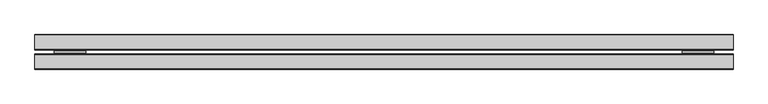
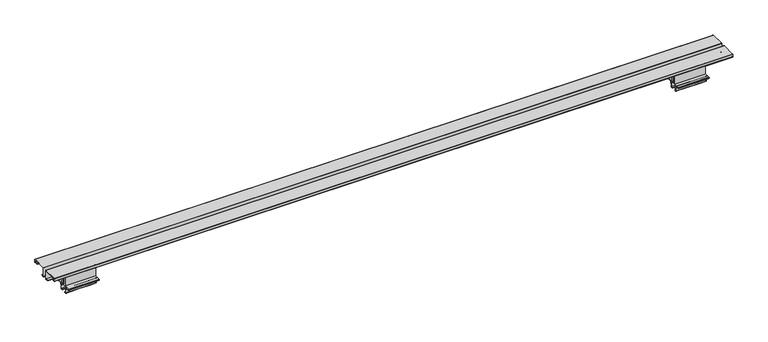
"""IFC4 building model written with IfcOpenShell, lengths in millimetres: furniture geometry."""

from ifc_helpers import new_model, si_unit, point, frame, frame_2d, origin, place, context, project, spatial, polyline, circle_curve, trimmed, segment, composite_curve, outline, extrude, source, transform, mapped, element, save
from ifc_brep_helpers import plane_surface, cylinder_surface, revolved_surface, advanced_brep


def furniture_2ed0af92(model_context):
    return source(origin(), model_context, "Body", "SolidModel", [
        extrude(outline(composite_curve([segment(polyline([(-46.1411741, 703.4021989), (-52.5216442, 703.4021989), (-52.5216442, 704.1895989), (-46.1411741, 704.1895989)]), True, "CONTINUOUS"), segment(trimmed(circle_curve(frame_2d((-46.1411741, 702.5436715)), 1.6459275), [point((-46.1411741, 704.1895989))], [point((-44.4952466, 702.5436715))], False, "CARTESIAN"), True, "CONTINUOUS"), segment(polyline([(-44.4952466, 702.5436715), (-44.4952466, 698.3176187), (-42.3108667, 693.5931667), (-42.3108667, 677.4434001), (-35.9226813, 677.4434001), (-35.9226813, 693.5931667), (-33.7383014, 698.3176187), (-33.7383014, 702.5436715)]), True, "CONTINUOUS"), segment(trimmed(circle_curve(frame_2d((-32.0923739, 702.5436715)), 1.6459275), [point((-33.7383014, 702.5436715))], [point((-32.0923739, 704.1895989))], False, "CARTESIAN"), True, "CONTINUOUS"), segment(polyline([(-32.0923739, 704.1895989), (-25.7119037, 704.1895989), (-25.7119037, 703.4021989), (-32.0923739, 703.4021989)]), True, "CONTINUOUS"), segment(trimmed(circle_curve(frame_2d((-32.0923739, 702.5436715)), 0.8585275), [point((-32.0923739, 703.4021989))], [point((-32.9509014, 702.5436715))], True, "CARTESIAN"), True, "CONTINUOUS"), segment(polyline([(-32.9509014, 702.5436715), (-32.9509014, 676.4273965), (-45.2826466, 676.4273965), (-45.2826466, 702.5436715)]), True, "CONTINUOUS"), segment(trimmed(circle_curve(frame_2d((-46.1411741, 702.5436715)), 0.8585275), [point((-45.2826466, 702.5436715))], [point((-46.1411741, 703.4021989))], True, "CARTESIAN"), True, "CONTINUOUS")], self_intersect=False)), frame((1412.7479964, 0.0, 0.0), z_axis=(1.0, 0.0, 0.0), x_axis=(0.0, 1.0, 0.0)), (0.0, 0.0, 1.0), 68.5800073),
        advanced_brep(
        [(1481.3280036, -43.8856479, 661.339798), (1481.3280036, -43.8856479, 662.127198), (1481.3280036, -47.4162484, 662.127198), (1481.3280036, -47.4162484, 670.1211433), (1481.3280036, -48.2566383, 671.5767378), (1481.3280036, -49.1307467, 672.0814021), (1481.3280036, -49.1307467, 674.0672048), (1481.3280036, -50.5257409, 675.4621989), (1481.3280036, -56.9931108, 675.4621989), (1481.3280036, -57.8998062, 674.6458068), (1481.3280036, -58.5922468, 675.6347145), (1481.3280036, -58.5922468, 676.4273965), (1481.3280036, -19.6540457, 676.4273965), (1481.3280036, -19.6540457, 675.6165135), (1481.3280036, -20.3337418, 674.6458068), (1481.3280036, -21.2404371, 675.4621989), (1481.3280036, -27.8273525, 675.4621989), (1481.3280036, -29.1155469, 674.1740045), (1481.3280036, -29.1155469, 672.0814021), (1481.3280036, -30.0322406, 671.5521513), (1481.3280036, -30.8300452, 670.1703165), (1481.3280036, -30.8300452, 662.127198), (1481.3280036, -34.3606457, 662.127198), (1481.3280036, -34.3606457, 661.339798), (1481.3280036, -30.560857, 661.339798), (1481.3280036, -30.0426452, 661.8580098), (1481.3280036, -30.0426452, 670.1703165), (1481.3280036, -29.6385421, 670.870242), (1481.3280036, -28.7038003, 671.4099128), (1481.3280036, -28.3281469, 672.0605621), (1481.3280036, -28.3281469, 674.1740045), (1481.3280036, -27.8273525, 674.6747989), (1481.3280036, -21.5426917, 674.6747989), (1481.3280036, -20.7678586, 673.9771361), (1481.3280036, -19.8407122, 673.9771361), (1481.3280036, -18.8666457, 675.3682472), (1481.3280036, -18.8666457, 676.7155121), (1481.3280036, -19.36593, 677.2147965), (1481.3280036, -58.8676179, 677.2147965), (1481.3280036, -59.3796468, 676.7027676), (1481.3280036, -59.3796468, 675.3864482), (1481.3280036, -58.3928358, 673.9771361), (1481.3280036, -57.4656894, 673.9771361), (1481.3280036, -56.6908563, 674.6747989), (1481.3280036, -50.5257409, 674.6747989), (1481.3280036, -49.9181467, 674.0672048), (1481.3280036, -49.9181467, 672.0991546), (1481.3280036, -49.5090711, 671.3906166), (1481.3280036, -48.6503368, 670.8948285), (1481.3280036, -48.2036484, 670.1211433), (1481.3280036, -48.2036484, 661.7207976), (1481.3280036, -47.672691, 661.339798), (1412.7479964, -43.8856479, 661.339798), (1412.7479964, -47.672691, 661.339798), (1412.7479964, -48.1909027, 661.8580098), (1412.7479964, -48.2036484, 670.1211433), (1412.7479964, -48.6503368, 670.8948285), (1412.7479964, -49.5090711, 671.3906166), (1412.7479964, -49.9181467, 672.0991546), (1412.7479964, -49.9181467, 674.0672048), (1412.7479964, -50.5257409, 674.6747989), (1412.7479964, -56.6908563, 674.6747989), (1412.7479964, -57.4656894, 673.9771361), (1412.7479964, -58.3928358, 673.9771361), (1412.7479964, -59.3796468, 675.3864482), (1412.7479964, -59.3796468, 676.7027676), (1412.7479964, -58.8676179, 677.2147965), (1412.7479964, -19.36593, 677.2147965), (1412.7479964, -18.8666457, 676.7155121), (1412.7479964, -18.8666457, 675.3682472), (1412.7479964, -19.8407122, 673.9771361), (1412.7479964, -20.7678586, 673.9771361), (1412.7479964, -21.5426917, 674.6747989), (1412.7479964, -27.8273525, 674.6747989), (1412.7479964, -28.3281469, 674.1740045), (1412.7479964, -28.3281469, 672.0605621), (1412.7479964, -28.7038003, 671.4099128), (1412.7479964, -29.6385421, 670.870242), (1412.7479964, -30.0426452, 670.1703165), (1412.7479964, -30.0426452, 661.8580098), (1412.7479964, -30.560857, 661.339798), (1412.7479964, -34.3606457, 661.339798), (1412.7479964, -34.3606457, 662.127198), (1412.7479964, -30.8300452, 662.127198), (1412.7479964, -30.8300452, 670.1703165), (1412.7479964, -30.0322406, 671.5521513), (1412.7479964, -29.1155469, 672.0814021), (1412.7479964, -29.1155469, 674.1740045), (1412.7479964, -27.8273525, 675.4621989), (1412.7479964, -21.2404371, 675.4621989), (1412.7479964, -20.3337418, 674.6458068), (1412.7479964, -19.6540457, 675.6165135), (1412.7479964, -19.6540457, 676.4273965), (1412.7479964, -58.5922468, 676.4273965), (1412.7479964, -58.5922468, 675.6347145), (1412.7479964, -57.8998062, 674.6458068), (1412.7479964, -56.9931108, 675.4621989), (1412.7479964, -50.5257409, 675.4621989), (1412.7479964, -49.1307467, 674.0672048), (1412.7479964, -49.1307467, 672.0814021), (1412.7479964, -48.2566383, 671.5767378), (1412.7479964, -47.4162484, 670.1211433), (1412.7479964, -47.4162484, 662.127198), (1412.7479964, -43.8856479, 662.127198)],
        [
            (0, 1),
            (1, 2),
            (2, 3),
            (3, 4, circle_curve(frame((1481.3280036, -49.097022, 670.1211433), z_axis=(1.0, 0.0, 0.0), x_axis=(0.0, 1.0, 0.0)), 1.6807736)),
            (4, 5),
            (5, 6),
            (6, 7, circle_curve(frame((1481.3280036, -50.5257409, 674.0672048), z_axis=(1.0, 0.0, 0.0), x_axis=(0.0, 1.0, 0.0)), 1.3949941)),
            (7, 8),
            (8, 9),
            (9, 10),
            (10, 11),
            (11, 12),
            (12, 13),
            (13, 14),
            (14, 15),
            (15, 16),
            (16, 17, circle_curve(frame((1481.3280036, -27.8273525, 674.1740045), z_axis=(1.0, 0.0, 0.0), x_axis=(0.0, 1.0, 0.0)), 1.2881944)),
            (17, 18),
            (18, 19),
            (19, 20, circle_curve(frame((1481.3280036, -29.2344419, 670.1703165), z_axis=(1.0, 0.0, 0.0), x_axis=(0.0, 1.0, 0.0)), 1.5956034)),
            (20, 21),
            (21, 22),
            (22, 23),
            (23, 24),
            (24, 25, circle_curve(frame((1481.3280036, -30.560857, 661.8580098), z_axis=(1.0, 0.0, 0.0), x_axis=(0.0, 1.0, 0.0)), 0.5182118)),
            (25, 26),
            (26, 27, circle_curve(frame((1481.3280036, -29.2344419, 670.1703165), z_axis=(-1.0, 0.0, 0.0), x_axis=(0.0, 1.0, 0.0)), 0.8082034)),
            (27, 28),
            (28, 29, circle_curve(frame((1481.3280036, -29.079451, 672.0605621), z_axis=(1.0, 0.0, 0.0), x_axis=(0.0, 1.0, 0.0)), 0.7513042)),
            (29, 30),
            (30, 31, circle_curve(frame((1481.3280036, -27.8273525, 674.1740045), z_axis=(-1.0, 0.0, 0.0), x_axis=(0.0, 1.0, 0.0)), 0.5007944)),
            (31, 32),
            (32, 33),
            (33, 34),
            (34, 35),
            (35, 36),
            (36, 37, circle_curve(frame((1481.3280036, -19.36593, 676.7155121), z_axis=(1.0, 0.0, 0.0), x_axis=(0.0, 1.0, 0.0)), 0.4992844)),
            (37, 38),
            (38, 39, circle_curve(frame((1481.3280036, -58.8676179, 676.7027676), z_axis=(1.0, 0.0, 0.0), x_axis=(0.0, 1.0, 0.0)), 0.5120288)),
            (39, 40),
            (40, 41),
            (41, 42),
            (42, 43),
            (43, 44),
            (44, 45, circle_curve(frame((1481.3280036, -50.5257409, 674.0672048), z_axis=(-1.0, 0.0, 0.0), x_axis=(0.0, 1.0, 0.0)), 0.6075941)),
            (45, 46),
            (46, 47, circle_curve(frame((1481.3280036, -49.0999985, 672.0991546), z_axis=(1.0, 0.0, 0.0), x_axis=(0.0, 1.0, 0.0)), 0.8181482)),
            (47, 48),
            (48, 49, circle_curve(frame((1481.3280036, -49.097022, 670.1211433), z_axis=(-1.0, 0.0, 0.0), x_axis=(0.0, 1.0, 0.0)), 0.8933736)),
            (49, 50),
            (50, 51, circle_curve(frame((1481.3280036, -47.672691, 661.8580098), z_axis=(1.0, 0.0, 0.0), x_axis=(0.0, 1.0, 0.0)), 0.5182118)),
            (51, 0),
            (52, 53),
            (53, 54, circle_curve(frame((1412.7479964, -47.672691, 661.8580098), z_axis=(-1.0, 0.0, 0.0), x_axis=(0.0, 1.0, 0.0)), 0.5182118)),
            (54, 55),
            (55, 56, circle_curve(frame((1412.7479964, -49.097022, 670.1211433), z_axis=(1.0, 0.0, 0.0), x_axis=(0.0, 1.0, 0.0)), 0.8933736)),
            (56, 57),
            (57, 58, circle_curve(frame((1412.7479964, -49.0999985, 672.0991546), z_axis=(-1.0, 0.0, 0.0), x_axis=(0.0, 1.0, 0.0)), 0.8181482)),
            (58, 59),
            (59, 60, circle_curve(frame((1412.7479964, -50.5257409, 674.0672048), z_axis=(1.0, 0.0, 0.0), x_axis=(0.0, 1.0, 0.0)), 0.6075941)),
            (60, 61),
            (61, 62),
            (62, 63),
            (63, 64),
            (64, 65),
            (65, 66, circle_curve(frame((1412.7479964, -58.8676179, 676.7027676), z_axis=(-1.0, 0.0, 0.0), x_axis=(0.0, 1.0, 0.0)), 0.5120288)),
            (66, 67),
            (67, 68, circle_curve(frame((1412.7479964, -19.36593, 676.7155121), z_axis=(-1.0, 0.0, 0.0), x_axis=(0.0, 1.0, 0.0)), 0.4992844)),
            (68, 69),
            (69, 70),
            (70, 71),
            (71, 72),
            (72, 73),
            (73, 74, circle_curve(frame((1412.7479964, -27.8273525, 674.1740045), z_axis=(1.0, 0.0, 0.0), x_axis=(0.0, 1.0, 0.0)), 0.5007944)),
            (74, 75),
            (75, 76, circle_curve(frame((1412.7479964, -29.079451, 672.0605621), z_axis=(-1.0, 0.0, 0.0), x_axis=(0.0, 1.0, 0.0)), 0.7513042)),
            (76, 77),
            (77, 78, circle_curve(frame((1412.7479964, -29.2344419, 670.1703165), z_axis=(1.0, 0.0, 0.0), x_axis=(0.0, 1.0, 0.0)), 0.8082034)),
            (78, 79),
            (79, 80, circle_curve(frame((1412.7479964, -30.560857, 661.8580098), z_axis=(-1.0, 0.0, 0.0), x_axis=(0.0, 1.0, 0.0)), 0.5182118)),
            (80, 81),
            (81, 82),
            (82, 83),
            (83, 84),
            (84, 85, circle_curve(frame((1412.7479964, -29.2344419, 670.1703165), z_axis=(-1.0, 0.0, 0.0), x_axis=(0.0, 1.0, 0.0)), 1.5956034)),
            (85, 86),
            (86, 87),
            (87, 88, circle_curve(frame((1412.7479964, -27.8273525, 674.1740045), z_axis=(-1.0, 0.0, 0.0), x_axis=(0.0, 1.0, 0.0)), 1.2881944)),
            (88, 89),
            (89, 90),
            (90, 91),
            (91, 92),
            (92, 93),
            (93, 94),
            (94, 95),
            (95, 96),
            (96, 97),
            (97, 98, circle_curve(frame((1412.7479964, -50.5257409, 674.0672048), z_axis=(-1.0, 0.0, 0.0), x_axis=(0.0, 1.0, 0.0)), 1.3949941)),
            (98, 99),
            (99, 100),
            (100, 101, circle_curve(frame((1412.7479964, -49.097022, 670.1211433), z_axis=(-1.0, 0.0, 0.0), x_axis=(0.0, 1.0, 0.0)), 1.6807736)),
            (101, 102),
            (102, 103),
            (103, 52),
            (51, 53),
            (52, 0),
            (50, 54),
            (49, 55),
            (48, 56),
            (47, 57),
            (46, 58),
            (45, 59),
            (44, 60),
            (43, 61),
            (42, 62),
            (41, 63),
            (40, 64),
            (39, 65),
            (38, 66),
            (37, 67),
            (36, 68),
            (35, 69),
            (34, 70),
            (33, 71),
            (32, 72),
            (31, 73),
            (30, 74),
            (29, 75),
            (28, 76),
            (27, 77),
            (26, 78),
            (25, 79),
            (24, 80),
            (23, 81),
            (22, 82),
            (21, 83),
            (20, 84),
            (19, 85),
            (18, 86),
            (17, 87),
            (16, 88),
            (15, 89),
            (14, 90),
            (13, 91),
            (12, 92),
            (11, 93),
            (10, 94),
            (9, 95),
            (8, 96),
            (7, 97),
            (6, 98),
            (5, 99),
            (4, 100),
            (3, 101),
            (2, 102),
            (1, 103),
        ],
        [
            plane_surface(frame((1481.3280036, -39.1358447, 638.91159), z_axis=(1.0, 0.0, 0.0), x_axis=(0.0, 0.0, 1.0))),
            plane_surface(frame((1412.7479964, -39.1358447, 638.91159), z_axis=(-1.0, 0.0, 0.0), x_axis=(0.0, 0.0, 1.0))),
            plane_surface(frame((1481.3280036, -43.8856479, 661.339798), z_axis=(0.0, 0.0, -1.0), x_axis=(-1.0, 0.0, 0.0))),
            cylinder_surface(frame((1481.3280036, -47.672691, 661.8580098), z_axis=(1.0, 0.0, 0.0), x_axis=(0.0, 1.0, 0.0)), 0.5182118),
            plane_surface(frame((1481.3280036, -48.2036484, 661.7207976), z_axis=(0.0, -1.0, 0.0), x_axis=(-1.0, 0.0, 0.0))),
            revolved_surface(polyline([(1412.7479964, -48.203648400000006, 670.1211433), (1481.3280036, -48.203648400000006, 670.1211433)]), (1481.3280036, -49.097022, 670.1211433), (-1.0, 0.0, 0.0)),
            plane_surface(frame((1481.3280036, -48.6503368, 670.8948285), z_axis=(0.0, -0.49999817066287033, -0.8660264599501468), x_axis=(-1.0, 0.0, 0.0))),
            cylinder_surface(frame((1481.3280036, -49.0999985, 672.0991546), z_axis=(1.0, 0.0, 0.0), x_axis=(0.0, 1.0, 0.0)), 0.8181482),
            plane_surface(frame((1481.3280036, -49.9181467, 672.0991546), z_axis=(0.0, -1.0, 0.0), x_axis=(-1.0, 0.0, 0.0))),
            revolved_surface(polyline([(1412.7479964, -49.9181468, 674.0672048), (1481.3280036, -49.9181468, 674.0672048)]), (1481.3280036, -50.5257409, 674.0672048), (-1.0, 0.0, 0.0)),
            plane_surface(frame((1481.3280036, -50.5257409, 674.6747989), z_axis=(0.0, 0.0, -1.0), x_axis=(-1.0, 0.0, 0.0))),
            plane_surface(frame((1481.3280036, -56.6908563, 674.6747989), z_axis=(0.0, 0.6691306063588597, -0.743144825477393), x_axis=(-1.0, 0.0, 0.0))),
            plane_surface(frame((1481.3280036, -57.4656894, 673.9771361), z_axis=(0.0, 0.0, -1.0), x_axis=(-1.0, 0.0, 0.0))),
            plane_surface(frame((1481.3280036, -58.3928358, 673.9771361), z_axis=(0.0, -0.8191520442889919, -0.5735764363510462), x_axis=(-1.0, 0.0, 0.0))),
            plane_surface(frame((1481.3280036, -59.3796468, 675.3864482), z_axis=(0.0, -1.0, 0.0), x_axis=(-1.0, 0.0, 0.0))),
            cylinder_surface(frame((1481.3280036, -58.8676179, 676.7027676), z_axis=(1.0, 0.0, 0.0), x_axis=(0.0, 1.0, 0.0)), 0.5120288),
            plane_surface(frame((1481.3280036, -58.8676179, 677.2147965), z_axis=(0.0, 0.0, 1.0), x_axis=(-1.0, 0.0, 0.0))),
            cylinder_surface(frame((1481.3280036, -19.36593, 676.7155121), z_axis=(1.0, 0.0, 0.0), x_axis=(0.0, 1.0, 0.0)), 0.4992844),
            plane_surface(frame((1481.3280036, -18.8666457, 676.7155121), z_axis=(0.0, 1.0, 0.0), x_axis=(-1.0, 0.0, 0.0))),
            plane_surface(frame((1481.3280036, -18.8666457, 675.3682472), z_axis=(0.0, 0.8191520442889919, -0.5735764363510462), x_axis=(-1.0, 0.0, 0.0))),
            plane_surface(frame((1481.3280036, -19.8407122, 673.9771361), z_axis=(0.0, 0.0, -1.0), x_axis=(-1.0, 0.0, 0.0))),
            plane_surface(frame((1481.3280036, -20.7678586, 673.9771361), z_axis=(0.0, -0.6691306063588597, -0.743144825477393), x_axis=(-1.0, 0.0, 0.0))),
            plane_surface(frame((1481.3280036, -21.5426917, 674.6747989), z_axis=(0.0, 0.0, -1.0), x_axis=(-1.0, 0.0, 0.0))),
            revolved_surface(polyline([(1412.7479964, -27.3265581, 674.1740045), (1481.3280036, -27.3265581, 674.1740045)]), (1481.3280036, -27.8273525, 674.1740045), (-1.0, 0.0, 0.0)),
            plane_surface(frame((1481.3280036, -28.3281469, 674.1740045), z_axis=(0.0, 1.0, 0.0), x_axis=(-1.0, 0.0, 0.0))),
            cylinder_surface(frame((1481.3280036, -29.079451, 672.0605621), z_axis=(1.0, 0.0, 0.0), x_axis=(0.0, 1.0, 0.0)), 0.7513042),
            plane_surface(frame((1481.3280036, -28.7038003, 671.4099128), z_axis=(0.0, 0.49999817066287033, -0.8660264599501468), x_axis=(-1.0, 0.0, 0.0))),
            revolved_surface(polyline([(1412.7479964, -28.4262385, 670.1703165), (1481.3280036, -28.4262385, 670.1703165)]), (1481.3280036, -29.2344419, 670.1703165), (-1.0, 0.0, 0.0)),
            plane_surface(frame((1481.3280036, -30.0426452, 670.1703165), z_axis=(0.0, 1.0, 0.0), x_axis=(-1.0, 0.0, 0.0))),
            cylinder_surface(frame((1481.3280036, -30.560857, 661.8580098), z_axis=(1.0, 0.0, 0.0), x_axis=(0.0, 1.0, 0.0)), 0.5182118),
            plane_surface(frame((1481.3280036, -30.560857, 661.339798), z_axis=(0.0, 0.0, -1.0), x_axis=(-1.0, 0.0, 0.0))),
            plane_surface(frame((1481.3280036, -34.3606457, 661.339798), z_axis=(0.0, -1.0, 0.0), x_axis=(-1.0, 0.0, 0.0))),
            plane_surface(frame((1481.3280036, -34.3606457, 662.127198), z_axis=(0.0, 0.0, 1.0), x_axis=(-1.0, 0.0, 0.0))),
            plane_surface(frame((1481.3280036, -30.8300452, 662.127198), z_axis=(0.0, -1.0, 0.0), x_axis=(-1.0, 0.0, 0.0))),
            cylinder_surface(frame((1481.3280036, -29.2344419, 670.1703165), z_axis=(1.0, 0.0, 0.0), x_axis=(0.0, 1.0, 0.0)), 1.5956034),
            plane_surface(frame((1481.3280036, -30.0322406, 671.5521513), z_axis=(0.0, -0.4999981706628693, 0.8660264599501475), x_axis=(-1.0, 0.0, 0.0))),
            plane_surface(frame((1481.3280036, -29.1155469, 672.0814021), z_axis=(0.0, -1.0, 0.0), x_axis=(-1.0, 0.0, 0.0))),
            cylinder_surface(frame((1481.3280036, -27.8273525, 674.1740045), z_axis=(1.0, 0.0, 0.0), x_axis=(0.0, 1.0, 0.0)), 1.2881944),
            plane_surface(frame((1481.3280036, -27.8273525, 675.4621989), z_axis=(0.0, 0.0, 1.0), x_axis=(-1.0, 0.0, 0.0))),
            plane_surface(frame((1481.3280036, -21.2404371, 675.4621989), z_axis=(0.0, 0.6691306063588597, 0.743144825477393), x_axis=(-1.0, 0.0, 0.0))),
            plane_surface(frame((1481.3280036, -20.3337418, 674.6458068), z_axis=(0.0, -0.819152044288992, 0.5735764363510457), x_axis=(-1.0, 0.0, 0.0))),
            plane_surface(frame((1481.3280036, -19.6540457, 675.6165135), z_axis=(0.0, -1.0, 0.0), x_axis=(-1.0, 0.0, 0.0))),
            plane_surface(frame((1481.3280036, -19.6540457, 676.4273965), z_axis=(0.0, 0.0, -1.0), x_axis=(-1.0, 0.0, 0.0))),
            plane_surface(frame((1481.3280036, -58.5922468, 676.4273965), z_axis=(0.0, 1.0, 0.0), x_axis=(-1.0, 0.0, 0.0))),
            plane_surface(frame((1481.3280036, -58.5922468, 675.6347145), z_axis=(0.0, 0.8191520442889909, 0.5735764363510474), x_axis=(-1.0, 0.0, 0.0))),
            plane_surface(frame((1481.3280036, -57.8998062, 674.6458068), z_axis=(0.0, -0.6691306063588597, 0.743144825477393), x_axis=(-1.0, 0.0, 0.0))),
            plane_surface(frame((1481.3280036, -56.9931108, 675.4621989), z_axis=(0.0, 0.0, 1.0), x_axis=(-1.0, 0.0, 0.0))),
            cylinder_surface(frame((1481.3280036, -50.5257409, 674.0672048), z_axis=(1.0, 0.0, 0.0), x_axis=(0.0, 1.0, 0.0)), 1.3949941),
            plane_surface(frame((1481.3280036, -49.1307467, 674.0672048), z_axis=(0.0, 1.0, 0.0), x_axis=(-1.0, 0.0, 0.0))),
            plane_surface(frame((1481.3280036, -49.1307467, 672.0814021), z_axis=(0.0, 0.49999817066287294, 0.8660264599501454), x_axis=(-1.0, 0.0, 0.0))),
            cylinder_surface(frame((1481.3280036, -49.097022, 670.1211433), z_axis=(1.0, 0.0, 0.0), x_axis=(0.0, 1.0, 0.0)), 1.6807736),
            plane_surface(frame((1481.3280036, -47.4162484, 670.1211433), z_axis=(0.0, 1.0, 0.0), x_axis=(-1.0, 0.0, 0.0))),
            plane_surface(frame((1481.3280036, -47.4162484, 662.127198), z_axis=(0.0, 0.0, 1.0), x_axis=(-1.0, 0.0, 0.0))),
            plane_surface(frame((1481.3280036, -43.8856479, 662.127198), z_axis=(0.0, 1.0, 0.0), x_axis=(-1.0, 0.0, 0.0))),
        ],
        [
            (0, [[1, 2, 3, 4, 5, 6, 7, 8, 9, 10, 11, 12, 13, 14, 15, 16, 17, 18, 19, 20, 21, 22, 23, 24, 25, 26, 27, 28, 29, 30, 31, 32, 33, 34, 35, 36, 37, 38, 39, 40, 41, 42, 43, 44, 45, 46, 47, 48, 49, 50, 51, 52]]),
            (1, [[53, 54, 55, 56, 57, 58, 59, 60, 61, 62, 63, 64, 65, 66, 67, 68, 69, 70, 71, 72, 73, 74, 75, 76, 77, 78, 79, 80, 81, 82, 83, 84, 85, 86, 87, 88, 89, 90, 91, 92, 93, 94, 95, 96, 97, 98, 99, 100, 101, 102, 103, 104]]),
            (2, [[105, -53, 106, -52]]),
            (3, [[107, -54, -105, -51]]),
            (4, [[108, -55, -107, -50]]),
            (5, [[109, -56, -108, -49]]),
            (6, [[110, -57, -109, -48]]),
            (7, [[111, -58, -110, -47]]),
            (8, [[112, -59, -111, -46]]),
            (9, [[113, -60, -112, -45]]),
            (10, [[114, -61, -113, -44]]),
            (11, [[115, -62, -114, -43]]),
            (12, [[116, -63, -115, -42]]),
            (13, [[117, -64, -116, -41]]),
            (14, [[118, -65, -117, -40]]),
            (15, [[119, -66, -118, -39]]),
            (16, [[120, -67, -119, -38]]),
            (17, [[121, -68, -120, -37]]),
            (18, [[122, -69, -121, -36]]),
            (19, [[123, -70, -122, -35]]),
            (20, [[124, -71, -123, -34]]),
            (21, [[125, -72, -124, -33]]),
            (22, [[126, -73, -125, -32]]),
            (23, [[127, -74, -126, -31]]),
            (24, [[128, -75, -127, -30]]),
            (25, [[129, -76, -128, -29]]),
            (26, [[130, -77, -129, -28]]),
            (27, [[131, -78, -130, -27]]),
            (28, [[132, -79, -131, -26]]),
            (29, [[133, -80, -132, -25]]),
            (30, [[134, -81, -133, -24]]),
            (31, [[135, -82, -134, -23]]),
            (32, [[136, -83, -135, -22]]),
            (33, [[137, -84, -136, -21]]),
            (34, [[138, -85, -137, -20]]),
            (35, [[139, -86, -138, -19]]),
            (36, [[140, -87, -139, -18]]),
            (37, [[141, -88, -140, -17]]),
            (38, [[142, -89, -141, -16]]),
            (39, [[143, -90, -142, -15]]),
            (40, [[144, -91, -143, -14]]),
            (41, [[145, -92, -144, -13]]),
            (42, [[146, -93, -145, -12]]),
            (43, [[147, -94, -146, -11]]),
            (44, [[148, -95, -147, -10]]),
            (45, [[149, -96, -148, -9]]),
            (46, [[150, -97, -149, -8]]),
            (47, [[151, -98, -150, -7]]),
            (48, [[152, -99, -151, -6]]),
            (49, [[153, -100, -152, -5]]),
            (50, [[154, -101, -153, -4]]),
            (51, [[155, -102, -154, -3]]),
            (52, [[156, -103, -155, -2]]),
            (53, [[-106, -104, -156, -1]]),
        ],
    ),
        extrude(outline(composite_curve([segment(polyline([(-46.1411741, 703.4021989), (-52.5216442, 703.4021989), (-52.5216442, 704.1895989), (-46.1411741, 704.1895989)]), True, "CONTINUOUS"), segment(trimmed(circle_curve(frame_2d((-46.1411741, 702.5436715)), 1.6459275), [point((-46.1411741, 704.1895989))], [point((-44.4952466, 702.5436715))], False, "CARTESIAN"), True, "CONTINUOUS"), segment(polyline([(-44.4952466, 702.5436715), (-44.4952466, 698.3176187), (-42.3108667, 693.5931667), (-42.3108667, 677.4434001), (-35.9226813, 677.4434001), (-35.9226813, 693.5931667), (-33.7383014, 698.3176187), (-33.7383014, 702.5436715)]), True, "CONTINUOUS"), segment(trimmed(circle_curve(frame_2d((-32.0923739, 702.5436715)), 1.6459275), [point((-33.7383014, 702.5436715))], [point((-32.0923739, 704.1895989))], False, "CARTESIAN"), True, "CONTINUOUS"), segment(polyline([(-32.0923739, 704.1895989), (-25.7119037, 704.1895989), (-25.7119037, 703.4021989), (-32.0923739, 703.4021989)]), True, "CONTINUOUS"), segment(trimmed(circle_curve(frame_2d((-32.0923739, 702.5436715)), 0.8585275), [point((-32.0923739, 703.4021989))], [point((-32.9509014, 702.5436715))], True, "CARTESIAN"), True, "CONTINUOUS"), segment(polyline([(-32.9509014, 702.5436715), (-32.9509014, 676.4273965), (-45.2826466, 676.4273965), (-45.2826466, 702.5436715)]), True, "CONTINUOUS"), segment(trimmed(circle_curve(frame_2d((-46.1411741, 702.5436715)), 0.8585275), [point((-45.2826466, 702.5436715))], [point((-46.1411741, 703.4021989))], True, "CARTESIAN"), True, "CONTINUOUS")], self_intersect=False)), frame((42.6719964, 0.0, 0.0), z_axis=(1.0, 0.0, 0.0), x_axis=(0.0, 1.0, 0.0)), (0.0, 0.0, 1.0), 68.5800073),
        advanced_brep(
        [(42.6719964, -43.8856479, 661.339798), (42.6719964, -47.672691, 661.339798), (42.6719964, -48.1909027, 661.8580098), (42.6719964, -48.2036484, 670.1211433), (42.6719964, -48.6503368, 670.8948285), (42.6719964, -49.5090711, 671.3906166), (42.6719964, -49.9181467, 672.0991546), (42.6719964, -49.9181467, 674.0672048), (42.6719964, -50.5257409, 674.6747989), (42.6719964, -56.6908563, 674.6747989), (42.6719964, -57.4656894, 673.9771361), (42.6719964, -58.3928358, 673.9771361), (42.6719964, -59.3796468, 675.3864482), (42.6719964, -59.3796468, 676.7027676), (42.6719964, -58.8676179, 677.2147965), (42.6719964, -19.36593, 677.2147965), (42.6719964, -18.8666457, 676.7155121), (42.6719964, -18.8666457, 675.3682472), (42.6719964, -19.8407122, 673.9771361), (42.6719964, -20.7678586, 673.9771361), (42.6719964, -21.5426917, 674.6747989), (42.6719964, -27.8273525, 674.6747989), (42.6719964, -28.3281469, 674.1740045), (42.6719964, -28.3281469, 672.0605621), (42.6719964, -28.7038003, 671.4099128), (42.6719964, -29.6385421, 670.870242), (42.6719964, -30.0426452, 670.1703165), (42.6719964, -30.0426452, 661.8580098), (42.6719964, -30.560857, 661.339798), (42.6719964, -34.3606457, 661.339798), (42.6719964, -34.3606457, 662.127198), (42.6719964, -30.8300452, 662.127198), (42.6719964, -30.8300452, 670.1703165), (42.6719964, -30.0322406, 671.5521513), (42.6719964, -29.1155469, 672.0814021), (42.6719964, -29.1155469, 674.1740045), (42.6719964, -27.8273525, 675.4621989), (42.6719964, -21.2404371, 675.4621989), (42.6719964, -20.3337418, 674.6458068), (42.6719964, -19.6540457, 675.6165135), (42.6719964, -19.6540457, 676.4273965), (42.6719964, -58.5922468, 676.4273965), (42.6719964, -58.5922468, 675.6347145), (42.6719964, -57.8998062, 674.6458068), (42.6719964, -56.9931108, 675.4621989), (42.6719964, -50.5257409, 675.4621989), (42.6719964, -49.1307467, 674.0672048), (42.6719964, -49.1307467, 672.0814021), (42.6719964, -48.2566383, 671.5767378), (42.6719964, -47.4162484, 670.1211433), (42.6719964, -47.4162484, 662.127198), (42.6719964, -43.8856479, 662.127198), (111.2520036, -43.8856479, 661.339798), (111.2520036, -43.8856479, 662.127198), (111.2520036, -47.4162484, 662.127198), (111.2520036, -47.4162484, 670.1211433), (111.2520036, -48.2566383, 671.5767378), (111.2520036, -49.1307467, 672.0814021), (111.2520036, -49.1307467, 674.0672048), (111.2520036, -50.5257409, 675.4621989), (111.2520036, -56.9931108, 675.4621989), (111.2520036, -57.8998062, 674.6458068), (111.2520036, -58.5922468, 675.6347145), (111.2520036, -58.5922468, 676.4273965), (111.2520036, -19.6540457, 676.4273965), (111.2520036, -19.6540457, 675.6165135), (111.2520036, -20.3337418, 674.6458068), (111.2520036, -21.2404371, 675.4621989), (111.2520036, -27.8273525, 675.4621989), (111.2520036, -29.1155469, 674.1740045), (111.2520036, -29.1155469, 672.0814021), (111.2520036, -30.0322406, 671.5521513), (111.2520036, -30.8300452, 670.1703165), (111.2520036, -30.8300452, 662.127198), (111.2520036, -34.3606457, 662.127198), (111.2520036, -34.3606457, 661.339798), (111.2520036, -30.560857, 661.339798), (111.2520036, -30.0426452, 661.8580098), (111.2520036, -30.0426452, 670.1703165), (111.2520036, -29.6385421, 670.870242), (111.2520036, -28.7038003, 671.4099128), (111.2520036, -28.3281469, 672.0605621), (111.2520036, -28.3281469, 674.1740045), (111.2520036, -27.8273525, 674.6747989), (111.2520036, -21.5426917, 674.6747989), (111.2520036, -20.7678586, 673.9771361), (111.2520036, -19.8407122, 673.9771361), (111.2520036, -18.8666457, 675.3682472), (111.2520036, -18.8666457, 676.7155121), (111.2520036, -19.36593, 677.2147965), (111.2520036, -58.8676179, 677.2147965), (111.2520036, -59.3796468, 676.7027676), (111.2520036, -59.3796468, 675.3864482), (111.2520036, -58.3928358, 673.9771361), (111.2520036, -57.4656894, 673.9771361), (111.2520036, -56.6908563, 674.6747989), (111.2520036, -50.5257409, 674.6747989), (111.2520036, -49.9181467, 674.0672048), (111.2520036, -49.9181467, 672.0991546), (111.2520036, -49.5090711, 671.3906166), (111.2520036, -48.6503368, 670.8948285), (111.2520036, -48.2036484, 670.1211433), (111.2520036, -48.2036484, 661.7207976), (111.2520036, -47.672691, 661.339798)],
        [
            (0, 1),
            (1, 2, circle_curve(frame((42.6719964, -47.672691, 661.8580098), z_axis=(-1.0, 0.0, 0.0), x_axis=(0.0, 1.0, 0.0)), 0.5182118)),
            (2, 3),
            (3, 4, circle_curve(frame((42.6719964, -49.097022, 670.1211433), z_axis=(1.0, 0.0, 0.0), x_axis=(0.0, 1.0, 0.0)), 0.8933736)),
            (4, 5),
            (5, 6, circle_curve(frame((42.6719964, -49.0999985, 672.0991546), z_axis=(-1.0, 0.0, 0.0), x_axis=(0.0, 1.0, 0.0)), 0.8181482)),
            (6, 7),
            (7, 8, circle_curve(frame((42.6719964, -50.5257409, 674.0672048), z_axis=(1.0, 0.0, 0.0), x_axis=(0.0, 1.0, 0.0)), 0.6075941)),
            (8, 9),
            (9, 10),
            (10, 11),
            (11, 12),
            (12, 13),
            (13, 14, circle_curve(frame((42.6719964, -58.8676179, 676.7027676), z_axis=(-1.0, 0.0, 0.0), x_axis=(0.0, 1.0, 0.0)), 0.5120288)),
            (14, 15),
            (15, 16, circle_curve(frame((42.6719964, -19.36593, 676.7155121), z_axis=(-1.0, 0.0, 0.0), x_axis=(0.0, 1.0, 0.0)), 0.4992844)),
            (16, 17),
            (17, 18),
            (18, 19),
            (19, 20),
            (20, 21),
            (21, 22, circle_curve(frame((42.6719964, -27.8273525, 674.1740045), z_axis=(1.0, 0.0, 0.0), x_axis=(0.0, 1.0, 0.0)), 0.5007944)),
            (22, 23),
            (23, 24, circle_curve(frame((42.6719964, -29.079451, 672.0605621), z_axis=(-1.0, 0.0, 0.0), x_axis=(0.0, 1.0, 0.0)), 0.7513042)),
            (24, 25),
            (25, 26, circle_curve(frame((42.6719964, -29.2344419, 670.1703165), z_axis=(1.0, 0.0, 0.0), x_axis=(0.0, 1.0, 0.0)), 0.8082034)),
            (26, 27),
            (27, 28, circle_curve(frame((42.6719964, -30.560857, 661.8580098), z_axis=(-1.0, 0.0, 0.0), x_axis=(0.0, 1.0, 0.0)), 0.5182118)),
            (28, 29),
            (29, 30),
            (30, 31),
            (31, 32),
            (32, 33, circle_curve(frame((42.6719964, -29.2344419, 670.1703165), z_axis=(-1.0, 0.0, 0.0), x_axis=(0.0, 1.0, 0.0)), 1.5956034)),
            (33, 34),
            (34, 35),
            (35, 36, circle_curve(frame((42.6719964, -27.8273525, 674.1740045), z_axis=(-1.0, 0.0, 0.0), x_axis=(0.0, 1.0, 0.0)), 1.2881944)),
            (36, 37),
            (37, 38),
            (38, 39),
            (39, 40),
            (40, 41),
            (41, 42),
            (42, 43),
            (43, 44),
            (44, 45),
            (45, 46, circle_curve(frame((42.6719964, -50.5257409, 674.0672048), z_axis=(-1.0, 0.0, 0.0), x_axis=(0.0, 1.0, 0.0)), 1.3949941)),
            (46, 47),
            (47, 48),
            (48, 49, circle_curve(frame((42.6719964, -49.097022, 670.1211433), z_axis=(-1.0, 0.0, 0.0), x_axis=(0.0, 1.0, 0.0)), 1.6807736)),
            (49, 50),
            (50, 51),
            (51, 0),
            (52, 53),
            (53, 54),
            (54, 55),
            (55, 56, circle_curve(frame((111.2520036, -49.097022, 670.1211433), z_axis=(1.0, 0.0, 0.0), x_axis=(0.0, 1.0, 0.0)), 1.6807736)),
            (56, 57),
            (57, 58),
            (58, 59, circle_curve(frame((111.2520036, -50.5257409, 674.0672048), z_axis=(1.0, 0.0, 0.0), x_axis=(0.0, 1.0, 0.0)), 1.3949941)),
            (59, 60),
            (60, 61),
            (61, 62),
            (62, 63),
            (63, 64),
            (64, 65),
            (65, 66),
            (66, 67),
            (67, 68),
            (68, 69, circle_curve(frame((111.2520036, -27.8273525, 674.1740045), z_axis=(1.0, 0.0, 0.0), x_axis=(0.0, 1.0, 0.0)), 1.2881944)),
            (69, 70),
            (70, 71),
            (71, 72, circle_curve(frame((111.2520036, -29.2344419, 670.1703165), z_axis=(1.0, 0.0, 0.0), x_axis=(0.0, 1.0, 0.0)), 1.5956034)),
            (72, 73),
            (73, 74),
            (74, 75),
            (75, 76),
            (76, 77, circle_curve(frame((111.2520036, -30.560857, 661.8580098), z_axis=(1.0, 0.0, 0.0), x_axis=(0.0, 1.0, 0.0)), 0.5182118)),
            (77, 78),
            (78, 79, circle_curve(frame((111.2520036, -29.2344419, 670.1703165), z_axis=(-1.0, 0.0, 0.0), x_axis=(0.0, 1.0, 0.0)), 0.8082034)),
            (79, 80),
            (80, 81, circle_curve(frame((111.2520036, -29.079451, 672.0605621), z_axis=(1.0, 0.0, 0.0), x_axis=(0.0, 1.0, 0.0)), 0.7513042)),
            (81, 82),
            (82, 83, circle_curve(frame((111.2520036, -27.8273525, 674.1740045), z_axis=(-1.0, 0.0, 0.0), x_axis=(0.0, 1.0, 0.0)), 0.5007944)),
            (83, 84),
            (84, 85),
            (85, 86),
            (86, 87),
            (87, 88),
            (88, 89, circle_curve(frame((111.2520036, -19.36593, 676.7155121), z_axis=(1.0, 0.0, 0.0), x_axis=(0.0, 1.0, 0.0)), 0.4992844)),
            (89, 90),
            (90, 91, circle_curve(frame((111.2520036, -58.8676179, 676.7027676), z_axis=(1.0, 0.0, 0.0), x_axis=(0.0, 1.0, 0.0)), 0.5120288)),
            (91, 92),
            (92, 93),
            (93, 94),
            (94, 95),
            (95, 96),
            (96, 97, circle_curve(frame((111.2520036, -50.5257409, 674.0672048), z_axis=(-1.0, 0.0, 0.0), x_axis=(0.0, 1.0, 0.0)), 0.6075941)),
            (97, 98),
            (98, 99, circle_curve(frame((111.2520036, -49.0999985, 672.0991546), z_axis=(1.0, 0.0, 0.0), x_axis=(0.0, 1.0, 0.0)), 0.8181482)),
            (99, 100),
            (100, 101, circle_curve(frame((111.2520036, -49.097022, 670.1211433), z_axis=(-1.0, 0.0, 0.0), x_axis=(0.0, 1.0, 0.0)), 0.8933736)),
            (101, 102),
            (102, 103, circle_curve(frame((111.2520036, -47.672691, 661.8580098), z_axis=(1.0, 0.0, 0.0), x_axis=(0.0, 1.0, 0.0)), 0.5182118)),
            (103, 52),
            (0, 52),
            (103, 1),
            (102, 2),
            (101, 3),
            (100, 4),
            (99, 5),
            (98, 6),
            (97, 7),
            (96, 8),
            (95, 9),
            (94, 10),
            (93, 11),
            (92, 12),
            (91, 13),
            (90, 14),
            (89, 15),
            (88, 16),
            (87, 17),
            (86, 18),
            (85, 19),
            (84, 20),
            (83, 21),
            (82, 22),
            (81, 23),
            (80, 24),
            (79, 25),
            (78, 26),
            (77, 27),
            (76, 28),
            (75, 29),
            (74, 30),
            (73, 31),
            (72, 32),
            (71, 33),
            (70, 34),
            (69, 35),
            (68, 36),
            (67, 37),
            (66, 38),
            (65, 39),
            (64, 40),
            (63, 41),
            (62, 42),
            (61, 43),
            (60, 44),
            (59, 45),
            (58, 46),
            (57, 47),
            (56, 48),
            (55, 49),
            (54, 50),
            (53, 51),
        ],
        [
            plane_surface(frame((42.6719964, -39.1358447, 638.91159), z_axis=(-1.0, 0.0, 0.0), x_axis=(0.0, 0.0, 1.0))),
            plane_surface(frame((111.2520036, -39.1358447, 638.91159), z_axis=(1.0, 0.0, 0.0), x_axis=(0.0, 0.0, 1.0))),
            plane_surface(frame((42.6719964, -43.8856479, 661.339798), z_axis=(0.0, 0.0, -1.0), x_axis=(1.0, 0.0, 0.0))),
            cylinder_surface(frame((42.6719964, -47.672691, 661.8580098), z_axis=(-1.0, 0.0, 0.0), x_axis=(0.0, 1.0, 0.0)), 0.5182118),
            plane_surface(frame((42.6719964, -48.2036484, 661.7207976), z_axis=(0.0, -1.0, 0.0), x_axis=(1.0, 0.0, 0.0))),
            revolved_surface(polyline([(111.2520036, -48.203648400000006, 670.1211433), (42.6719964, -48.203648400000006, 670.1211433)]), (42.6719964, -49.097022, 670.1211433), (1.0, 0.0, 0.0)),
            plane_surface(frame((42.6719964, -48.6503368, 670.8948285), z_axis=(0.0, -0.49999817066287033, -0.8660264599501468), x_axis=(1.0, 0.0, 0.0))),
            cylinder_surface(frame((42.6719964, -49.0999985, 672.0991546), z_axis=(-1.0, 0.0, 0.0), x_axis=(0.0, 1.0, 0.0)), 0.8181482),
            plane_surface(frame((42.6719964, -49.9181467, 672.0991546), z_axis=(0.0, -1.0, 0.0), x_axis=(1.0, 0.0, 0.0))),
            revolved_surface(polyline([(111.2520036, -49.9181468, 674.0672048), (42.6719964, -49.9181468, 674.0672048)]), (42.6719964, -50.5257409, 674.0672048), (1.0, 0.0, 0.0)),
            plane_surface(frame((42.6719964, -50.5257409, 674.6747989), z_axis=(0.0, 0.0, -1.0), x_axis=(1.0, 0.0, 0.0))),
            plane_surface(frame((42.6719964, -56.6908563, 674.6747989), z_axis=(0.0, 0.6691306063588597, -0.743144825477393), x_axis=(1.0, 0.0, 0.0))),
            plane_surface(frame((42.6719964, -57.4656894, 673.9771361), z_axis=(0.0, 0.0, -1.0), x_axis=(1.0, 0.0, 0.0))),
            plane_surface(frame((42.6719964, -58.3928358, 673.9771361), z_axis=(0.0, -0.8191520442889919, -0.5735764363510462), x_axis=(1.0, 0.0, 0.0))),
            plane_surface(frame((42.6719964, -59.3796468, 675.3864482), z_axis=(0.0, -1.0, 0.0), x_axis=(1.0, 0.0, 0.0))),
            cylinder_surface(frame((42.6719964, -58.8676179, 676.7027676), z_axis=(-1.0, 0.0, 0.0), x_axis=(0.0, 1.0, 0.0)), 0.5120288),
            plane_surface(frame((42.6719964, -58.8676179, 677.2147965), z_axis=(0.0, 0.0, 1.0), x_axis=(1.0, 0.0, 0.0))),
            cylinder_surface(frame((42.6719964, -19.36593, 676.7155121), z_axis=(-1.0, 0.0, 0.0), x_axis=(0.0, 1.0, 0.0)), 0.4992844),
            plane_surface(frame((42.6719964, -18.8666457, 676.7155121), z_axis=(0.0, 1.0, 0.0), x_axis=(1.0, 0.0, 0.0))),
            plane_surface(frame((42.6719964, -18.8666457, 675.3682472), z_axis=(0.0, 0.8191520442889919, -0.5735764363510462), x_axis=(1.0, 0.0, 0.0))),
            plane_surface(frame((42.6719964, -19.8407122, 673.9771361), z_axis=(0.0, 0.0, -1.0), x_axis=(1.0, 0.0, 0.0))),
            plane_surface(frame((42.6719964, -20.7678586, 673.9771361), z_axis=(0.0, -0.6691306063588597, -0.743144825477393), x_axis=(1.0, 0.0, 0.0))),
            plane_surface(frame((42.6719964, -21.5426917, 674.6747989), z_axis=(0.0, 0.0, -1.0), x_axis=(1.0, 0.0, 0.0))),
            revolved_surface(polyline([(111.2520036, -27.3265581, 674.1740045), (42.6719964, -27.3265581, 674.1740045)]), (42.6719964, -27.8273525, 674.1740045), (1.0, 0.0, 0.0)),
            plane_surface(frame((42.6719964, -28.3281469, 674.1740045), z_axis=(0.0, 1.0, 0.0), x_axis=(1.0, 0.0, 0.0))),
            cylinder_surface(frame((42.6719964, -29.079451, 672.0605621), z_axis=(-1.0, 0.0, 0.0), x_axis=(0.0, 1.0, 0.0)), 0.7513042),
            plane_surface(frame((42.6719964, -28.7038003, 671.4099128), z_axis=(0.0, 0.49999817066287033, -0.8660264599501468), x_axis=(1.0, 0.0, 0.0))),
            revolved_surface(polyline([(111.2520036, -28.4262385, 670.1703165), (42.6719964, -28.4262385, 670.1703165)]), (42.6719964, -29.2344419, 670.1703165), (1.0, 0.0, 0.0)),
            plane_surface(frame((42.6719964, -30.0426452, 670.1703165), z_axis=(0.0, 1.0, 0.0), x_axis=(1.0, 0.0, 0.0))),
            cylinder_surface(frame((42.6719964, -30.560857, 661.8580098), z_axis=(-1.0, 0.0, 0.0), x_axis=(0.0, 1.0, 0.0)), 0.5182118),
            plane_surface(frame((42.6719964, -30.560857, 661.339798), z_axis=(0.0, 0.0, -1.0), x_axis=(1.0, 0.0, 0.0))),
            plane_surface(frame((42.6719964, -34.3606457, 661.339798), z_axis=(0.0, -1.0, 0.0), x_axis=(1.0, 0.0, 0.0))),
            plane_surface(frame((42.6719964, -34.3606457, 662.127198), z_axis=(0.0, 0.0, 1.0), x_axis=(1.0, 0.0, 0.0))),
            plane_surface(frame((42.6719964, -30.8300452, 662.127198), z_axis=(0.0, -1.0, 0.0), x_axis=(1.0, 0.0, 0.0))),
            cylinder_surface(frame((42.6719964, -29.2344419, 670.1703165), z_axis=(-1.0, 0.0, 0.0), x_axis=(0.0, 1.0, 0.0)), 1.5956034),
            plane_surface(frame((42.6719964, -30.0322406, 671.5521513), z_axis=(0.0, -0.4999981706628693, 0.8660264599501475), x_axis=(1.0, 0.0, 0.0))),
            plane_surface(frame((42.6719964, -29.1155469, 672.0814021), z_axis=(0.0, -1.0, 0.0), x_axis=(1.0, 0.0, 0.0))),
            cylinder_surface(frame((42.6719964, -27.8273525, 674.1740045), z_axis=(-1.0, 0.0, 0.0), x_axis=(0.0, 1.0, 0.0)), 1.2881944),
            plane_surface(frame((42.6719964, -27.8273525, 675.4621989), z_axis=(0.0, 0.0, 1.0), x_axis=(1.0, 0.0, 0.0))),
            plane_surface(frame((42.6719964, -21.2404371, 675.4621989), z_axis=(0.0, 0.6691306063588597, 0.743144825477393), x_axis=(1.0, 0.0, 0.0))),
            plane_surface(frame((42.6719964, -20.3337418, 674.6458068), z_axis=(0.0, -0.819152044288992, 0.5735764363510457), x_axis=(1.0, 0.0, 0.0))),
            plane_surface(frame((42.6719964, -19.6540457, 675.6165135), z_axis=(0.0, -1.0, 0.0), x_axis=(1.0, 0.0, 0.0))),
            plane_surface(frame((42.6719964, -19.6540457, 676.4273965), z_axis=(0.0, 0.0, -1.0), x_axis=(1.0, 0.0, 0.0))),
            plane_surface(frame((42.6719964, -58.5922468, 676.4273965), z_axis=(0.0, 1.0, 0.0), x_axis=(1.0, 0.0, 0.0))),
            plane_surface(frame((42.6719964, -58.5922468, 675.6347145), z_axis=(0.0, 0.8191520442889909, 0.5735764363510474), x_axis=(1.0, 0.0, 0.0))),
            plane_surface(frame((42.6719964, -57.8998062, 674.6458068), z_axis=(0.0, -0.6691306063588597, 0.743144825477393), x_axis=(1.0, 0.0, 0.0))),
            plane_surface(frame((42.6719964, -56.9931108, 675.4621989), z_axis=(0.0, 0.0, 1.0), x_axis=(1.0, 0.0, 0.0))),
            cylinder_surface(frame((42.6719964, -50.5257409, 674.0672048), z_axis=(-1.0, 0.0, 0.0), x_axis=(0.0, 1.0, 0.0)), 1.3949941),
            plane_surface(frame((42.6719964, -49.1307467, 674.0672048), z_axis=(0.0, 1.0, 0.0), x_axis=(1.0, 0.0, 0.0))),
            plane_surface(frame((42.6719964, -49.1307467, 672.0814021), z_axis=(0.0, 0.49999817066287294, 0.8660264599501454), x_axis=(1.0, 0.0, 0.0))),
            cylinder_surface(frame((42.6719964, -49.097022, 670.1211433), z_axis=(-1.0, 0.0, 0.0), x_axis=(0.0, 1.0, 0.0)), 1.6807736),
            plane_surface(frame((42.6719964, -47.4162484, 670.1211433), z_axis=(0.0, 1.0, 0.0), x_axis=(1.0, 0.0, 0.0))),
            plane_surface(frame((42.6719964, -47.4162484, 662.127198), z_axis=(0.0, 0.0, 1.0), x_axis=(1.0, 0.0, 0.0))),
            plane_surface(frame((42.6719964, -43.8856479, 662.127198), z_axis=(0.0, 1.0, 0.0), x_axis=(1.0, 0.0, 0.0))),
        ],
        [
            (0, [[1, 2, 3, 4, 5, 6, 7, 8, 9, 10, 11, 12, 13, 14, 15, 16, 17, 18, 19, 20, 21, 22, 23, 24, 25, 26, 27, 28, 29, 30, 31, 32, 33, 34, 35, 36, 37, 38, 39, 40, 41, 42, 43, 44, 45, 46, 47, 48, 49, 50, 51, 52]]),
            (1, [[53, 54, 55, 56, 57, 58, 59, 60, 61, 62, 63, 64, 65, 66, 67, 68, 69, 70, 71, 72, 73, 74, 75, 76, 77, 78, 79, 80, 81, 82, 83, 84, 85, 86, 87, 88, 89, 90, 91, 92, 93, 94, 95, 96, 97, 98, 99, 100, 101, 102, 103, 104]]),
            (2, [[-1, 105, -104, 106]]),
            (3, [[-2, -106, -103, 107]]),
            (4, [[-3, -107, -102, 108]]),
            (5, [[-4, -108, -101, 109]]),
            (6, [[-5, -109, -100, 110]]),
            (7, [[-6, -110, -99, 111]]),
            (8, [[-7, -111, -98, 112]]),
            (9, [[-8, -112, -97, 113]]),
            (10, [[-9, -113, -96, 114]]),
            (11, [[-10, -114, -95, 115]]),
            (12, [[-11, -115, -94, 116]]),
            (13, [[-12, -116, -93, 117]]),
            (14, [[-13, -117, -92, 118]]),
            (15, [[-14, -118, -91, 119]]),
            (16, [[-15, -119, -90, 120]]),
            (17, [[-16, -120, -89, 121]]),
            (18, [[-17, -121, -88, 122]]),
            (19, [[-18, -122, -87, 123]]),
            (20, [[-19, -123, -86, 124]]),
            (21, [[-20, -124, -85, 125]]),
            (22, [[-21, -125, -84, 126]]),
            (23, [[-22, -126, -83, 127]]),
            (24, [[-23, -127, -82, 128]]),
            (25, [[-24, -128, -81, 129]]),
            (26, [[-25, -129, -80, 130]]),
            (27, [[-26, -130, -79, 131]]),
            (28, [[-27, -131, -78, 132]]),
            (29, [[-28, -132, -77, 133]]),
            (30, [[-29, -133, -76, 134]]),
            (31, [[-30, -134, -75, 135]]),
            (32, [[-31, -135, -74, 136]]),
            (33, [[-32, -136, -73, 137]]),
            (34, [[-33, -137, -72, 138]]),
            (35, [[-34, -138, -71, 139]]),
            (36, [[-35, -139, -70, 140]]),
            (37, [[-36, -140, -69, 141]]),
            (38, [[-37, -141, -68, 142]]),
            (39, [[-38, -142, -67, 143]]),
            (40, [[-39, -143, -66, 144]]),
            (41, [[-40, -144, -65, 145]]),
            (42, [[-41, -145, -64, 146]]),
            (43, [[-42, -146, -63, 147]]),
            (44, [[-43, -147, -62, 148]]),
            (45, [[-44, -148, -61, 149]]),
            (46, [[-45, -149, -60, 150]]),
            (47, [[-46, -150, -59, 151]]),
            (48, [[-47, -151, -58, 152]]),
            (49, [[-48, -152, -57, 153]]),
            (50, [[-49, -153, -56, 154]]),
            (51, [[-50, -154, -55, 155]]),
            (52, [[-51, -155, -54, 156]]),
            (53, [[-52, -156, -53, -105]]),
        ],
    ),
        extrude(outline(composite_curve([segment(polyline([(-76.9619989, 722.1981999), (-76.9619989, 727.9279718)]), True, "CONTINUOUS"), segment(trimmed(circle_curve(frame_2d((-76.3925707, 727.9279718)), 0.5694282), [point((-76.9619989, 727.9279718))], [point((-76.3925707, 728.4974))], False, "CARTESIAN"), True, "CONTINUOUS"), segment(polyline([(-76.3925707, 728.4974), (-44.2214, 728.4974)]), True, "CONTINUOUS"), segment(trimmed(circle_curve(frame_2d((-44.2214, 727.9386)), 0.5588), [point((-44.2214, 728.4974))], [point((-43.6626, 727.9386))], False, "CARTESIAN"), True, "CONTINUOUS"), segment(polyline([(-43.6626, 727.9386), (-43.6626, 707.7201989)]), True, "CONTINUOUS"), segment(trimmed(circle_curve(frame_2d((-44.2214, 707.7201989)), 0.5588), [point((-43.6626, 707.7201989))], [point((-44.2214, 707.1613989))], False, "CARTESIAN"), True, "CONTINUOUS"), segment(polyline([(-44.2214, 707.1613989), (-50.3935981, 707.1613989), (-50.3935981, 707.9487989), (-44.45, 707.9487989), (-44.45, 727.71), (-76.1745989, 727.71), (-76.1745989, 722.4267999), (-68.3894984, 722.4267999), (-68.3894984, 721.6393999), (-76.4031989, 721.6393999)]), True, "CONTINUOUS"), segment(trimmed(circle_curve(frame_2d((-76.4031989, 722.1981999)), 0.5588), [point((-76.4031989, 721.6393999))], [point((-76.9619989, 722.1981999))], False, "CARTESIAN"), True, "CONTINUOUS")], self_intersect=False)), frame((0.127, 0.0, 0.0), z_axis=(1.0, 0.0, 0.0), x_axis=(0.0, 1.0, 0.0)), (0.0, 0.0, 1.0), 1523.746),
        extrude(outline(composite_curve([segment(trimmed(circle_curve(frame_2d((-1.9359591, 722.1981999)), 0.5588), [point((-1.3771591, 722.1981999))], [point((-1.9359591, 721.6393999))], False, "CARTESIAN"), True, "CONTINUOUS"), segment(polyline([(-1.9359591, 721.6393999), (-9.9496595, 721.6393999), (-9.9496595, 722.4267999), (-2.1645591, 722.4267999), (-2.1645591, 727.71), (-33.889158, 727.71), (-33.889158, 707.9487989), (-27.9455599, 707.9487989), (-27.9455599, 707.1613989), (-34.117758, 707.1613989)]), True, "CONTINUOUS"), segment(trimmed(circle_curve(frame_2d((-34.117758, 707.7201989)), 0.5588), [point((-34.117758, 707.1613989))], [point((-34.676558, 707.7201989))], False, "CARTESIAN"), True, "CONTINUOUS"), segment(polyline([(-34.676558, 707.7201989), (-34.676558, 727.9386)]), True, "CONTINUOUS"), segment(trimmed(circle_curve(frame_2d((-34.117758, 727.9386)), 0.5588), [point((-34.676558, 727.9386))], [point((-34.117758, 728.4974))], False, "CARTESIAN"), True, "CONTINUOUS"), segment(polyline([(-34.117758, 728.4974), (-1.9465872, 728.4974)]), True, "CONTINUOUS"), segment(trimmed(circle_curve(frame_2d((-1.9465872, 727.9279718)), 0.5694282), [point((-1.9465872, 728.4974))], [point((-1.3771591, 727.9279718))], False, "CARTESIAN"), True, "CONTINUOUS"), segment(polyline([(-1.3771591, 727.9279718), (-1.3771591, 722.1981999)]), True, "CONTINUOUS")], self_intersect=False)), frame((0.127, 0.0, 0.0), z_axis=(1.0, 0.0, 0.0), x_axis=(0.0, 1.0, 0.0)), (0.0, 0.0, 1.0), 1523.746),
    ])


if __name__ == "__main__":
    model = new_model("IFC4")
    model_context = context("Model", 3, world=origin())
    ifc_project = project(units=[si_unit("LENGTHUNIT", "METRE", prefix="MILLI")], contexts=[model_context])
    site = spatial("IfcSite", under=ifc_project)
    building = spatial("IfcBuilding", under=site)
    placement = place(None, origin())
    furniture_shape = furniture_2ed0af92(model_context)
    element("IfcFurniture", 1, at=placement, inside=building, context=model_context, shape_type="MappedRepresentation", body=[
        mapped(furniture_shape, transform((0.0, 0.0, 0.0), x_axis=(1.0, 0.0, 0.0), y_axis=(0.0, 1.0, 0.0), z_axis=(0.0, 0.0, 1.0))),
    ])
    save(model, "model.ifc")
